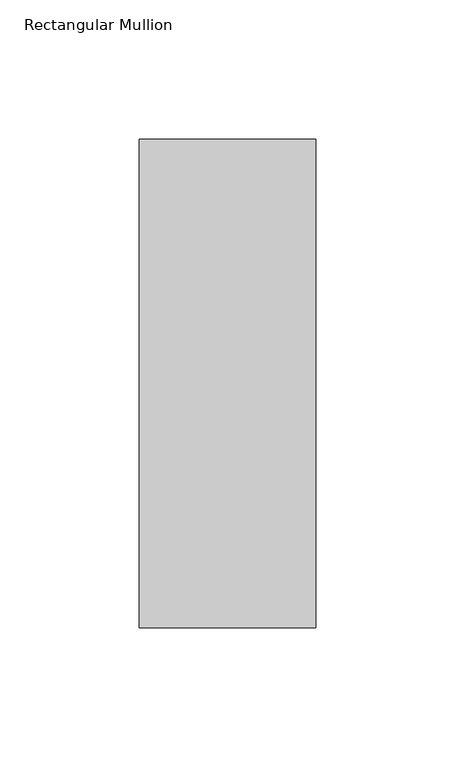
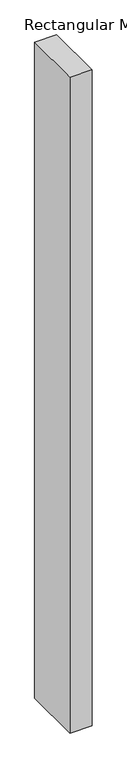
"""IFC4 building model written with IfcOpenShell, lengths in millimetres: member geometry, Rectangular Mullion."""

import ifcopenshell
import ifcopenshell.guid

model = None  # the IFC model being written
_history = None  # IfcOwnerHistory: only IFC2X3 demands one
_inside = {}  # id of a spatial element -> (the spatial element, [elements in it])
_under = {}  # id of a project, library or spatial element -> (it, [spatial elements below it])
_declared = {}  # id of a project -> (the project, [libraries it declares])
_typed = {}  # id of a type object -> (the type object, [elements of that type])
_made_of = {}  # id of a material, layer set ... -> (it, [elements and type objects made of it])


def new_model(schema):
    """Start an empty IFC model of exactly this schema.

    Asked for "IFC4X3", IfcOpenShell would pick the latest addendum, in which some entities
    have other attributes; the version numbers below select the first issue.
    IFC2X3 requires an IfcOwnerHistory on every rooted entity: one is made here for all.
    """
    global model, _history
    if schema == "IFC4X3":
        model = ifcopenshell.file(schema_version=(4, 3, 0, 0))
    else:
        model = ifcopenshell.file(schema=schema)
    _inside.clear()
    _under.clear()
    _declared.clear()
    _typed.clear()
    _made_of.clear()
    _history = None
    if model.schema == "IFC2X3":
        org = make("IfcOrganization", Name="unknown")
        user = make(
            "IfcPersonAndOrganization",
            ThePerson=make("IfcPerson", FamilyName="unknown"),
            TheOrganization=org,
        )
        app = make(
            "IfcApplication",
            ApplicationDeveloper=org,
            Version="unknown",
            ApplicationFullName="unknown",
            ApplicationIdentifier="unknown",
        )
        _history = make(
            "IfcOwnerHistory",
            OwningUser=user,
            OwningApplication=app,
            ChangeAction="ADDED",
            CreationDate=0,
        )
    return model


def make(cls, **values):
    """One entity of the class cls with the attributes given. An attribute that is None is left unset."""
    return model.create_entity(
        cls, **{name: value for name, value in values.items() if value is not None}
    )


def rooted(cls, **values):
    """An entity with a GlobalId (a new one), such as an element, a storey or a relation."""
    return make(cls, GlobalId=ifcopenshell.guid.new(), OwnerHistory=_history, **values)


def si_unit(unit_type, name, prefix=None):
    """IfcSIUnit, for example si_unit("LENGTHUNIT", "METRE", prefix="MILLI")."""
    return make("IfcSIUnit", UnitType=unit_type, Prefix=prefix, Name=name)


def assignment(units):
    """IfcUnitAssignment: the units of a project."""
    return None if units is None else make("IfcUnitAssignment", Units=units)


def point(xyz):
    """IfcCartesianPoint."""
    return None if xyz is None else make("IfcCartesianPoint", Coordinates=xyz)


def direction(xyz):
    """IfcDirection."""
    return None if xyz is None else make("IfcDirection", DirectionRatios=xyz)


def frame(location, z_axis=None, x_axis=None):
    """IfcAxis2Placement3D, a coordinate frame: its origin and axes. An axis left out is left unset."""
    return make(
        "IfcAxis2Placement3D",
        Location=point(location),
        Axis=direction(z_axis),
        RefDirection=direction(x_axis),
    )


def origin():
    """The frame at (0, 0, 0) with its axes left unset."""
    return frame((0.0, 0.0, 0.0))


def place(relative_to, where):
    """IfcLocalPlacement: puts the frame where relative to a parent placement (None: the world)."""
    return make(
        "IfcLocalPlacement", PlacementRelTo=relative_to, RelativePlacement=where
    )


def context(
    kind, dimensions, precision=None, world=None, true_north=None, identifier=None
):
    """IfcGeometricRepresentationContext, for example the 3D "Model" context."""
    return make(
        "IfcGeometricRepresentationContext",
        ContextIdentifier=identifier,
        ContextType=kind,
        CoordinateSpaceDimension=dimensions,
        Precision=precision,
        WorldCoordinateSystem=world,
        TrueNorth=true_north,
    )


def project(units=None, contexts=None):
    """IfcProject with its units and contexts."""
    return rooted(
        "IfcProject",
        Name="project",
        RepresentationContexts=contexts,
        UnitsInContext=assignment(units),
    )


def spatial(cls, under=None, at=None, **own):
    """A site, building, storey or space (cls), placed at a placement, below another one or the project."""
    s = rooted(cls, ObjectPlacement=at, **own)
    if under is not None:
        _under.setdefault(under.id(), (under, []))[1].append(s)
    return s


def polyline(points):
    """IfcPolyline through the points."""
    return make("IfcPolyline", Points=[point(p) for p in points])


def outline(outer, holes=None, kind="AREA"):
    """IfcArbitraryClosedProfileDef: a profile drawn as a closed curve; with holes, ...WithVoids."""
    if holes is None:
        return make("IfcArbitraryClosedProfileDef", ProfileType=kind, OuterCurve=outer)
    return make(
        "IfcArbitraryProfileDefWithVoids",
        ProfileType=kind,
        OuterCurve=outer,
        InnerCurves=holes,
    )


def extrude(swept, where, along, depth):
    """IfcExtrudedAreaSolid: the profile swept, set in the frame where, extruded along a direction by depth."""
    return make(
        "IfcExtrudedAreaSolid",
        SweptArea=swept,
        Position=where,
        ExtrudedDirection=direction(along),
        Depth=depth,
    )


def shape(context_of_items, identifier, shape_type, items):
    """IfcShapeRepresentation: the items that make up one representation, for example the "Body"."""
    return make(
        "IfcShapeRepresentation",
        ContextOfItems=context_of_items,
        RepresentationIdentifier=identifier,
        RepresentationType=shape_type,
        Items=items,
    )


def source(mapping_origin, context_of_items, identifier, shape_type, items):
    """IfcRepresentationMap: a shape defined once, which mapped items show again and again."""
    return make(
        "IfcRepresentationMap",
        MappingOrigin=mapping_origin,
        MappedRepresentation=shape(context_of_items, identifier, shape_type, items),
    )


def transform(
    local_origin,
    x_axis=None,
    y_axis=None,
    z_axis=None,
    scale=None,
    scale2=None,
    scale3=None,
    uniform=True,
):
    """IfcCartesianTransformationOperator3D, or its non-uniform kind. x_axis, y_axis, z_axis: its Axis1, 2, 3."""
    if uniform:
        return make(
            "IfcCartesianTransformationOperator3D",
            Axis1=direction(x_axis),
            Axis2=direction(y_axis),
            LocalOrigin=point(local_origin),
            Scale=scale,
            Axis3=direction(z_axis),
        )
    return make(
        "IfcCartesianTransformationOperator3DnonUniform",
        Axis1=direction(x_axis),
        Axis2=direction(y_axis),
        LocalOrigin=point(local_origin),
        Scale=scale,
        Axis3=direction(z_axis),
        Scale2=scale2,
        Scale3=scale3,
    )


def mapped(mapping_source, mapping_target):
    """IfcMappedItem: shows the shape of a source again, moved by a transform."""
    return make(
        "IfcMappedItem", MappingSource=mapping_source, MappingTarget=mapping_target
    )


def made_of(thing, what):
    """Note that an element or type object is made of a material, layer set ...; save() writes the relation."""
    if what is not None:
        _made_of.setdefault(what.id(), (what, []))[1].append(thing)
    return thing


def element(
    cls,
    number,
    at=None,
    inside=None,
    cuts=None,
    type_object=None,
    material=None,
    context=None,
    identifier="Body",
    shape_type=None,
    held_by="IfcProductDefinitionShape",
    body=None,
    shapes=None,
    **own,
):
    """One element of the class cls, such as IfcWall. Its Tag is "e" and its number.

    at: its placement. inside: the storey or other place that contains it. cuts: it is an
    opening in that element (IfcRelVoidsElement). A single representation is given by context,
    identifier, shape_type and body (its items); several are given by shapes. held_by: the class
    of the entity that holds the representations. save() writes the other relations.
    """
    e = rooted(cls, Tag="e%d" % number, ObjectPlacement=at, **own)
    if body is not None:
        shapes = [shape(context, identifier, shape_type, body)]
    if shapes is not None:
        e.Representation = make(held_by, Representations=shapes)
    if inside is not None:
        _inside.setdefault(inside.id(), (inside, []))[1].append(e)
    if cuts is not None:
        rooted(
            "IfcRelVoidsElement", RelatingBuildingElement=cuts, RelatedOpeningElement=e
        )
    if type_object is not None:
        _typed.setdefault(type_object.id(), (type_object, []))[1].append(e)
    return made_of(e, material)


def aggregate(whole, parts):
    """IfcRelAggregates: a whole, such as a stair, and the parts it consists of."""
    return rooted("IfcRelAggregates", RelatingObject=whole, RelatedObjects=parts)


def save(model, path):
    """Write the relations noted so far, then the file.

    IfcRelAggregates (storeys below a building ...), IfcRelContainedInSpatialStructure (elements
    in a storey), IfcRelDefinesByType, IfcRelAssociatesMaterial and IfcRelDeclares: one each for
    every whole, place, type object, material and project.
    """
    for whole, parts in _under.values():
        aggregate(whole, parts)
    for where, things in _inside.values():
        rooted(
            "IfcRelContainedInSpatialStructure",
            RelatedElements=things,
            RelatingStructure=where,
        )
    for kind, things in _typed.values():
        rooted("IfcRelDefinesByType", RelatedObjects=things, RelatingType=kind)
    for what, things in _made_of.values():
        rooted("IfcRelAssociatesMaterial", RelatedObjects=things, RelatingMaterial=what)
    for by, libraries in _declared.values():
        rooted("IfcRelDeclares", RelatingContext=by, RelatedDefinitions=libraries)
    model.write(path)


def rectangular_mullion_abfb0598(model_context):
    return source(origin(), model_context, "Body", "SweptSolid", [
        extrude(outline(polyline([(-31.75, 222.5381313), (31.75, 222.5381313), (31.75, 46.7447302), (-31.75, 46.7447302), (-31.75, 222.5381313)])), frame((0.0, 0.0, -1993.9), z_axis=(0.0, 0.0, 1.0), x_axis=(1.0, 0.0, 0.0)), (0.0, 0.0, 1.0), 1993.9),
    ])


if __name__ == "__main__":
    model = new_model("IFC4")
    model_context = context("Model", 3, world=origin())
    ifc_project = project(units=[si_unit("LENGTHUNIT", "METRE", prefix="MILLI")], contexts=[model_context])
    site = spatial("IfcSite", under=ifc_project)
    building = spatial("IfcBuilding", under=site)
    placement = place(None, origin())
    rectangular_mullion_shape = rectangular_mullion_abfb0598(model_context)
    element("IfcMember", 1, ObjectType="Rectangular Mullion", at=placement, inside=building, context=model_context, shape_type="MappedRepresentation", body=[
        mapped(rectangular_mullion_shape, transform((0.0, 0.0, 0.0), x_axis=(1.0, 0.0, 0.0), y_axis=(0.0, 1.0, 0.0), z_axis=(0.0, 0.0, 1.0))),
    ])
    save(model, "model.ifc")
